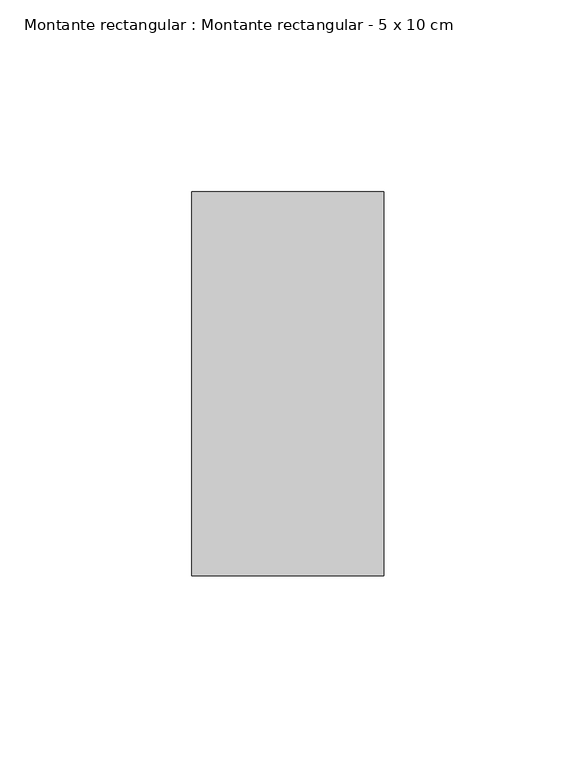
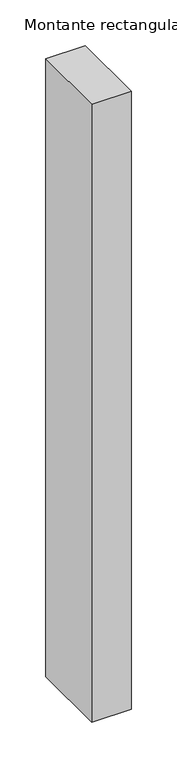
"""IFC4 building model written with IfcOpenShell, lengths in millimetres: member geometry, Montante rectangular : Montante rectangular - 5 x 10 cm."""

import ifcopenshell
import ifcopenshell.guid

model = None  # the IFC model being written
_history = None  # IfcOwnerHistory: only IFC2X3 demands one
_inside = {}  # id of a spatial element -> (the spatial element, [elements in it])
_under = {}  # id of a project, library or spatial element -> (it, [spatial elements below it])
_declared = {}  # id of a project -> (the project, [libraries it declares])
_typed = {}  # id of a type object -> (the type object, [elements of that type])
_made_of = {}  # id of a material, layer set ... -> (it, [elements and type objects made of it])


def new_model(schema):
    """Start an empty IFC model of exactly this schema.

    Asked for "IFC4X3", IfcOpenShell would pick the latest addendum, in which some entities
    have other attributes; the version numbers below select the first issue.
    IFC2X3 requires an IfcOwnerHistory on every rooted entity: one is made here for all.
    """
    global model, _history
    if schema == "IFC4X3":
        model = ifcopenshell.file(schema_version=(4, 3, 0, 0))
    else:
        model = ifcopenshell.file(schema=schema)
    _inside.clear()
    _under.clear()
    _declared.clear()
    _typed.clear()
    _made_of.clear()
    _history = None
    if model.schema == "IFC2X3":
        org = make("IfcOrganization", Name="unknown")
        user = make(
            "IfcPersonAndOrganization",
            ThePerson=make("IfcPerson", FamilyName="unknown"),
            TheOrganization=org,
        )
        app = make(
            "IfcApplication",
            ApplicationDeveloper=org,
            Version="unknown",
            ApplicationFullName="unknown",
            ApplicationIdentifier="unknown",
        )
        _history = make(
            "IfcOwnerHistory",
            OwningUser=user,
            OwningApplication=app,
            ChangeAction="ADDED",
            CreationDate=0,
        )
    return model


def make(cls, **values):
    """One entity of the class cls with the attributes given. An attribute that is None is left unset."""
    return model.create_entity(
        cls, **{name: value for name, value in values.items() if value is not None}
    )


def rooted(cls, **values):
    """An entity with a GlobalId (a new one), such as an element, a storey or a relation."""
    return make(cls, GlobalId=ifcopenshell.guid.new(), OwnerHistory=_history, **values)


def si_unit(unit_type, name, prefix=None):
    """IfcSIUnit, for example si_unit("LENGTHUNIT", "METRE", prefix="MILLI")."""
    return make("IfcSIUnit", UnitType=unit_type, Prefix=prefix, Name=name)


def assignment(units):
    """IfcUnitAssignment: the units of a project."""
    return None if units is None else make("IfcUnitAssignment", Units=units)


def point(xyz):
    """IfcCartesianPoint."""
    return None if xyz is None else make("IfcCartesianPoint", Coordinates=xyz)


def direction(xyz):
    """IfcDirection."""
    return None if xyz is None else make("IfcDirection", DirectionRatios=xyz)


def frame(location, z_axis=None, x_axis=None):
    """IfcAxis2Placement3D, a coordinate frame: its origin and axes. An axis left out is left unset."""
    return make(
        "IfcAxis2Placement3D",
        Location=point(location),
        Axis=direction(z_axis),
        RefDirection=direction(x_axis),
    )


def origin():
    """The frame at (0, 0, 0) with its axes left unset."""
    return frame((0.0, 0.0, 0.0))


def place(relative_to, where):
    """IfcLocalPlacement: puts the frame where relative to a parent placement (None: the world)."""
    return make(
        "IfcLocalPlacement", PlacementRelTo=relative_to, RelativePlacement=where
    )


def context(
    kind, dimensions, precision=None, world=None, true_north=None, identifier=None
):
    """IfcGeometricRepresentationContext, for example the 3D "Model" context."""
    return make(
        "IfcGeometricRepresentationContext",
        ContextIdentifier=identifier,
        ContextType=kind,
        CoordinateSpaceDimension=dimensions,
        Precision=precision,
        WorldCoordinateSystem=world,
        TrueNorth=true_north,
    )


def project(units=None, contexts=None):
    """IfcProject with its units and contexts."""
    return rooted(
        "IfcProject",
        Name="project",
        RepresentationContexts=contexts,
        UnitsInContext=assignment(units),
    )


def spatial(cls, under=None, at=None, **own):
    """A site, building, storey or space (cls), placed at a placement, below another one or the project."""
    s = rooted(cls, ObjectPlacement=at, **own)
    if under is not None:
        _under.setdefault(under.id(), (under, []))[1].append(s)
    return s


def polyline(points):
    """IfcPolyline through the points."""
    return make("IfcPolyline", Points=[point(p) for p in points])


def outline(outer, holes=None, kind="AREA"):
    """IfcArbitraryClosedProfileDef: a profile drawn as a closed curve; with holes, ...WithVoids."""
    if holes is None:
        return make("IfcArbitraryClosedProfileDef", ProfileType=kind, OuterCurve=outer)
    return make(
        "IfcArbitraryProfileDefWithVoids",
        ProfileType=kind,
        OuterCurve=outer,
        InnerCurves=holes,
    )


def extrude(swept, where, along, depth):
    """IfcExtrudedAreaSolid: the profile swept, set in the frame where, extruded along a direction by depth."""
    return make(
        "IfcExtrudedAreaSolid",
        SweptArea=swept,
        Position=where,
        ExtrudedDirection=direction(along),
        Depth=depth,
    )


def shape(context_of_items, identifier, shape_type, items):
    """IfcShapeRepresentation: the items that make up one representation, for example the "Body"."""
    return make(
        "IfcShapeRepresentation",
        ContextOfItems=context_of_items,
        RepresentationIdentifier=identifier,
        RepresentationType=shape_type,
        Items=items,
    )


def source(mapping_origin, context_of_items, identifier, shape_type, items):
    """IfcRepresentationMap: a shape defined once, which mapped items show again and again."""
    return make(
        "IfcRepresentationMap",
        MappingOrigin=mapping_origin,
        MappedRepresentation=shape(context_of_items, identifier, shape_type, items),
    )


def transform(
    local_origin,
    x_axis=None,
    y_axis=None,
    z_axis=None,
    scale=None,
    scale2=None,
    scale3=None,
    uniform=True,
):
    """IfcCartesianTransformationOperator3D, or its non-uniform kind. x_axis, y_axis, z_axis: its Axis1, 2, 3."""
    if uniform:
        return make(
            "IfcCartesianTransformationOperator3D",
            Axis1=direction(x_axis),
            Axis2=direction(y_axis),
            LocalOrigin=point(local_origin),
            Scale=scale,
            Axis3=direction(z_axis),
        )
    return make(
        "IfcCartesianTransformationOperator3DnonUniform",
        Axis1=direction(x_axis),
        Axis2=direction(y_axis),
        LocalOrigin=point(local_origin),
        Scale=scale,
        Axis3=direction(z_axis),
        Scale2=scale2,
        Scale3=scale3,
    )


def mapped(mapping_source, mapping_target):
    """IfcMappedItem: shows the shape of a source again, moved by a transform."""
    return make(
        "IfcMappedItem", MappingSource=mapping_source, MappingTarget=mapping_target
    )


def made_of(thing, what):
    """Note that an element or type object is made of a material, layer set ...; save() writes the relation."""
    if what is not None:
        _made_of.setdefault(what.id(), (what, []))[1].append(thing)
    return thing


def element(
    cls,
    number,
    at=None,
    inside=None,
    cuts=None,
    type_object=None,
    material=None,
    context=None,
    identifier="Body",
    shape_type=None,
    held_by="IfcProductDefinitionShape",
    body=None,
    shapes=None,
    **own,
):
    """One element of the class cls, such as IfcWall. Its Tag is "e" and its number.

    at: its placement. inside: the storey or other place that contains it. cuts: it is an
    opening in that element (IfcRelVoidsElement). A single representation is given by context,
    identifier, shape_type and body (its items); several are given by shapes. held_by: the class
    of the entity that holds the representations. save() writes the other relations.
    """
    e = rooted(cls, Tag="e%d" % number, ObjectPlacement=at, **own)
    if body is not None:
        shapes = [shape(context, identifier, shape_type, body)]
    if shapes is not None:
        e.Representation = make(held_by, Representations=shapes)
    if inside is not None:
        _inside.setdefault(inside.id(), (inside, []))[1].append(e)
    if cuts is not None:
        rooted(
            "IfcRelVoidsElement", RelatingBuildingElement=cuts, RelatedOpeningElement=e
        )
    if type_object is not None:
        _typed.setdefault(type_object.id(), (type_object, []))[1].append(e)
    return made_of(e, material)


def aggregate(whole, parts):
    """IfcRelAggregates: a whole, such as a stair, and the parts it consists of."""
    return rooted("IfcRelAggregates", RelatingObject=whole, RelatedObjects=parts)


def save(model, path):
    """Write the relations noted so far, then the file.

    IfcRelAggregates (storeys below a building ...), IfcRelContainedInSpatialStructure (elements
    in a storey), IfcRelDefinesByType, IfcRelAssociatesMaterial and IfcRelDeclares: one each for
    every whole, place, type object, material and project.
    """
    for whole, parts in _under.values():
        aggregate(whole, parts)
    for where, things in _inside.values():
        rooted(
            "IfcRelContainedInSpatialStructure",
            RelatedElements=things,
            RelatingStructure=where,
        )
    for kind, things in _typed.values():
        rooted("IfcRelDefinesByType", RelatedObjects=things, RelatingType=kind)
    for what, things in _made_of.values():
        rooted("IfcRelAssociatesMaterial", RelatedObjects=things, RelatingMaterial=what)
    for by, libraries in _declared.values():
        rooted("IfcRelDeclares", RelatingContext=by, RelatedDefinitions=libraries)
    model.write(path)


def montante_rectangular_montante_rectangular_5_x_10_cm_ca44ece0(model_context):
    return source(origin(), model_context, "Body", "SweptSolid", [
        extrude(outline(polyline([(0.0, 50.0), (0.0, -50.0), (-50.0, -50.0), (-50.0, 50.0), (0.0, 50.0)])), frame((0.0, 0.0, -824.3783611), z_axis=(0.0, 0.0, 1.0), x_axis=(1.0, 0.0, 0.0)), (0.0, 0.0, 1.0), 824.3783611),
    ])


if __name__ == "__main__":
    model = new_model("IFC4")
    model_context = context("Model", 3, world=origin())
    ifc_project = project(units=[si_unit("LENGTHUNIT", "METRE", prefix="MILLI")], contexts=[model_context])
    site = spatial("IfcSite", under=ifc_project)
    building = spatial("IfcBuilding", under=site)
    placement = place(None, origin())
    montante_rectangular_montante_rectangular_5_x_10_cm_shape = montante_rectangular_montante_rectangular_5_x_10_cm_ca44ece0(model_context)
    element("IfcMember", 1, ObjectType="Montante rectangular : Montante rectangular - 5 x 10 cm", at=placement, inside=building, context=model_context, shape_type="MappedRepresentation", body=[
        mapped(montante_rectangular_montante_rectangular_5_x_10_cm_shape, transform((0.0, 0.0, 0.0), x_axis=(1.0, 0.0, 0.0), y_axis=(0.0, 1.0, 0.0), z_axis=(0.0, 0.0, 1.0))),
    ])
    save(model, "model.ifc")
